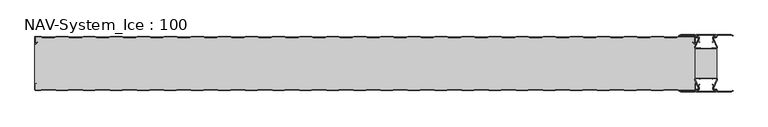
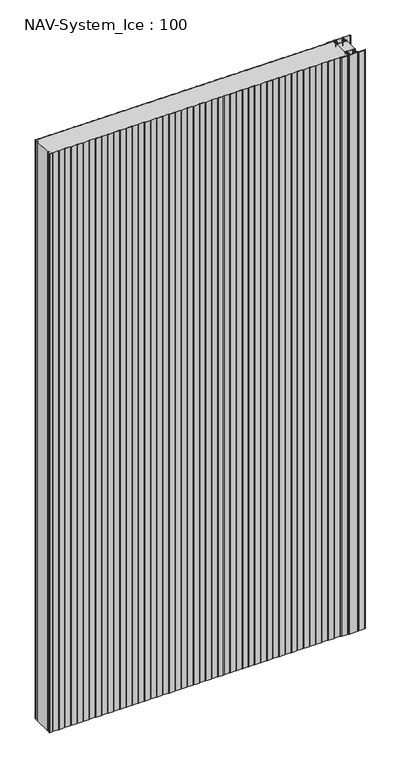
"""IFC4 building model written with IfcOpenShell, lengths in millimetres: plate geometry, NAV-System_Ice : 100."""

from ifc_helpers import new_model, si_unit, point, frame_2d, origin, origin_with_axes, place, context, project, spatial, polyline, circle_curve, trimmed, segment, composite_curve, outline, extrude, source, transform, mapped, element, save


def nav_system_ice_100_85630635(model_context):
    return source(origin(), model_context, "Body", "SweptSolid", [
        extrude(outline(polyline([(630.0, -76.9693935), (590.0, -76.9693935), (590.0, -23.0306065), (630.0, -23.0306065), (630.0, -76.9693935)])), origin_with_axes(), (0.0, 0.0, 1.0), 2500.0),
        extrude(outline(composite_curve([segment(trimmed(circle_curve(frame_2d((599.1138734, -91.8417863)), 3.357884), [point((596.1169606, -93.3563483))], [point((597.7243711, -88.7848813))], False, "CARTESIAN"), True, "CONTINUOUS"), segment(polyline([(597.7243711, -88.7848813), (598.0554135, -89.5131744)]), True, "CONTINUOUS"), segment(trimmed(circle_curve(frame_2d((599.1138734, -91.8417863)), 2.557884), [point((598.0554135, -89.5131744))], [point((596.8448746, -93.0226397))], True, "CARTESIAN"), True, "CONTINUOUS"), segment(polyline([(596.8448746, -93.0226397), (597.7376807, -95.2182139)]), True, "CONTINUOUS"), segment(trimmed(circle_curve(frame_2d((593.7962884, -96.3456266)), 4.0994674), [point((597.7376807, -95.2182139))], [point((593.7866434, -100.4450826))], False, "CARTESIAN"), True, "CONTINUOUS"), segment(polyline([(593.7866434, -100.4450826), (592.2194901, -100.4092333)]), True, "CONTINUOUS"), segment(trimmed(circle_curve(frame_2d((592.2592624, -101.3027113)), 0.8943628), [point((592.2194901, -100.4092333))], [point((592.2592624, -102.1970741))], True, "CARTESIAN"), True, "CONTINUOUS"), segment(polyline([(592.2592624, -102.1970741), (627.7407376, -102.1970741)]), True, "CONTINUOUS"), segment(trimmed(circle_curve(frame_2d((627.7407376, -101.3027113)), 0.8943628), [point((627.7407376, -102.1970741))], [point((627.7805099, -100.4092333))], True, "CARTESIAN"), True, "CONTINUOUS"), segment(polyline([(627.7805099, -100.4092333), (626.2133566, -100.4450826)]), True, "CONTINUOUS"), segment(trimmed(circle_curve(frame_2d((626.2037116, -96.3456266)), 4.0994674), [point((626.2133566, -100.4450826))], [point((622.2623193, -95.2182139))], False, "CARTESIAN"), True, "CONTINUOUS"), segment(polyline([(622.2623193, -95.2182139), (623.1551254, -93.0226397)]), True, "CONTINUOUS"), segment(trimmed(circle_curve(frame_2d((620.8861266, -91.8417863)), 2.557884), [point((623.1551254, -93.0226397))], [point((621.9445865, -89.5131744))], True, "CARTESIAN"), True, "CONTINUOUS"), segment(polyline([(621.9445865, -89.5131744), (622.2756289, -88.7848813)]), True, "CONTINUOUS"), segment(trimmed(circle_curve(frame_2d((620.8861266, -91.8417863)), 3.357884), [point((622.2756289, -88.7848813))], [point((623.8830394, -93.3563483))], False, "CARTESIAN"), True, "CONTINUOUS"), segment(polyline([(623.8830394, -93.3563483), (623.0205049, -95.4774793)]), True, "CONTINUOUS"), segment(trimmed(circle_curve(frame_2d((626.2037116, -96.3456266)), 3.2994674), [point((623.0205049, -95.4774793))], [point((626.2037116, -99.645094))], True, "CARTESIAN"), True, "CONTINUOUS"), segment(polyline([(626.2037116, -99.645094), (627.7848884, -99.6089239)]), True, "CONTINUOUS"), segment(trimmed(circle_curve(frame_2d((627.7407376, -101.3027113)), 1.6943628), [point((627.7848884, -99.6089239))], [point((627.7407423, -102.9970741))], False, "CARTESIAN"), True, "CONTINUOUS"), segment(polyline([(627.7407423, -102.9970741), (592.2592577, -102.9970741)]), True, "CONTINUOUS"), segment(trimmed(circle_curve(frame_2d((592.2592624, -101.3027113)), 1.6943628), [point((592.2592577, -102.9970741))], [point((592.2151116, -99.6089239))], False, "CARTESIAN"), True, "CONTINUOUS"), segment(polyline([(592.2151116, -99.6089239), (593.7962884, -99.645094)]), True, "CONTINUOUS"), segment(trimmed(circle_curve(frame_2d((593.7962884, -96.3456266)), 3.2994674), [point((593.7962884, -99.645094))], [point((596.9794951, -95.4774793))], True, "CARTESIAN"), True, "CONTINUOUS"), segment(polyline([(596.9794951, -95.4774793), (596.1169606, -93.3563483)]), True, "CONTINUOUS")], self_intersect=False)), origin_with_axes(), (0.0, 0.0, 1.0), 2500.0),
        extrude(outline(composite_curve([segment(polyline([(596.1169606, -6.6436517), (596.9794951, -4.5225207)]), True, "CONTINUOUS"), segment(trimmed(circle_curve(frame_2d((593.7962884, -3.6543734)), 3.2994674), [point((596.9794951, -4.5225207))], [point((593.7962884, -0.354906))], True, "CARTESIAN"), True, "CONTINUOUS"), segment(polyline([(593.7962884, -0.354906), (592.2151116, -0.3910761)]), True, "CONTINUOUS"), segment(trimmed(circle_curve(frame_2d((592.2592624, 1.3027113)), 1.6943628), [point((592.2151116, -0.3910761))], [point((592.2592577, 2.9970741))], False, "CARTESIAN"), True, "CONTINUOUS"), segment(polyline([(592.2592577, 2.9970741), (627.7407423, 2.9970741)]), True, "CONTINUOUS"), segment(trimmed(circle_curve(frame_2d((627.7407376, 1.3027113)), 1.6943628), [point((627.7407423, 2.9970741))], [point((627.7848884, -0.3910761))], False, "CARTESIAN"), True, "CONTINUOUS"), segment(polyline([(627.7848884, -0.3910761), (626.2037116, -0.354906)]), True, "CONTINUOUS"), segment(trimmed(circle_curve(frame_2d((626.2037116, -3.6543734)), 3.2994674), [point((626.2037116, -0.354906))], [point((623.0205049, -4.5225207))], True, "CARTESIAN"), True, "CONTINUOUS"), segment(polyline([(623.0205049, -4.5225207), (623.8830394, -6.6436517)]), True, "CONTINUOUS"), segment(trimmed(circle_curve(frame_2d((620.8861266, -8.1582137)), 3.357884), [point((623.8830394, -6.6436517))], [point((622.2756289, -11.2151187))], False, "CARTESIAN"), True, "CONTINUOUS"), segment(polyline([(622.2756289, -11.2151187), (621.9445865, -10.4868256)]), True, "CONTINUOUS"), segment(trimmed(circle_curve(frame_2d((620.8861266, -8.1582137)), 2.557884), [point((621.9445865, -10.4868256))], [point((623.1551254, -6.9773603))], True, "CARTESIAN"), True, "CONTINUOUS"), segment(polyline([(623.1551254, -6.9773603), (622.2623193, -4.7817861)]), True, "CONTINUOUS"), segment(trimmed(circle_curve(frame_2d((626.2037116, -3.6543734)), 4.0994674), [point((622.2623193, -4.7817861))], [point((626.2133566, 0.4450826))], False, "CARTESIAN"), True, "CONTINUOUS"), segment(polyline([(626.2133566, 0.4450826), (627.7805099, 0.4092333)]), True, "CONTINUOUS"), segment(trimmed(circle_curve(frame_2d((627.7407376, 1.3027113)), 0.8943628), [point((627.7805099, 0.4092333))], [point((627.7407376, 2.1970741))], True, "CARTESIAN"), True, "CONTINUOUS"), segment(polyline([(627.7407376, 2.1970741), (592.2592624, 2.1970741)]), True, "CONTINUOUS"), segment(trimmed(circle_curve(frame_2d((592.2592624, 1.3027113)), 0.8943628), [point((592.2592624, 2.1970741))], [point((592.2194901, 0.4092333))], True, "CARTESIAN"), True, "CONTINUOUS"), segment(polyline([(592.2194901, 0.4092333), (593.7866434, 0.4450826)]), True, "CONTINUOUS"), segment(trimmed(circle_curve(frame_2d((593.7962884, -3.6543734)), 4.0994674), [point((593.7866434, 0.4450826))], [point((597.7376807, -4.7817861))], False, "CARTESIAN"), True, "CONTINUOUS"), segment(polyline([(597.7376807, -4.7817861), (596.8448746, -6.9773603)]), True, "CONTINUOUS"), segment(trimmed(circle_curve(frame_2d((599.1138734, -8.1582137)), 2.557884), [point((596.8448746, -6.9773603))], [point((598.0554135, -10.4868256))], True, "CARTESIAN"), True, "CONTINUOUS"), segment(polyline([(598.0554135, -10.4868256), (597.7243711, -11.2151187)]), True, "CONTINUOUS"), segment(trimmed(circle_curve(frame_2d((599.1138734, -8.1582137)), 3.357884), [point((597.7243711, -11.2151187))], [point((596.1169606, -6.6436517))], False, "CARTESIAN"), True, "CONTINUOUS")], self_intersect=False)), origin_with_axes(), (0.0, 0.0, 1.0), 2500.0),
        extrude(outline(composite_curve([segment(trimmed(circle_curve(frame_2d((591.9446371, -79.7746821)), 1.80576), [point((591.9446371, -77.9689221))], [point((590.2170288, -80.300171))], True, "CARTESIAN"), True, "CONTINUOUS"), segment(polyline([(590.2170288, -80.300171), (596.4690067, -94.9459892)]), True, "CONTINUOUS"), segment(trimmed(circle_curve(frame_2d((593.7254406, -95.9868127)), 2.93436), [point((596.4690067, -94.9459892))], [point((593.7254406, -98.9211727))], False, "CARTESIAN"), True, "CONTINUOUS"), segment(polyline([(593.7254406, -98.9211727), (592.1347887, -98.9211727)]), True, "CONTINUOUS"), segment(trimmed(circle_curve(frame_2d((592.1347887, -100.5012127)), 1.58004), [point((592.1347887, -98.9211727))], [point((590.931072, -99.4776931))], True, "CARTESIAN"), True, "CONTINUOUS"), segment(polyline([(590.931072, -99.4776931), (589.0191946, -103.0112573), (562.9417977, -103.0112573), (560.0, -101.2043676), (560.523373, -100.3522639), (563.2243806, -102.0112573), (588.4232658, -102.0112573), (590.0952671, -98.9210361)]), True, "CONTINUOUS"), segment(trimmed(circle_curve(frame_2d((592.1347887, -100.5012127)), 2.58004), [point((590.0952671, -98.9210361))], [point((592.1347887, -97.9211727))], False, "CARTESIAN"), True, "CONTINUOUS"), segment(polyline([(592.1347887, -97.9211727), (593.7254406, -97.9211727)]), True, "CONTINUOUS"), segment(trimmed(circle_curve(frame_2d((593.7254406, -95.9868127)), 1.93436), [point((593.7254406, -97.9211727))], [point((595.5404425, -95.3178459))], True, "CARTESIAN"), True, "CONTINUOUS"), segment(polyline([(595.5404425, -95.3178459), (589.2784311, -80.6484726)]), True, "CONTINUOUS"), segment(trimmed(circle_curve(frame_2d((591.9446225, -79.7747413)), 2.8057055), [point((589.2784311, -80.6484726))], [point((591.9446225, -76.9690357))], False, "CARTESIAN"), True, "CONTINUOUS"), segment(polyline([(591.9446225, -76.9690357), (595.755568, -76.9690357)]), True, "CONTINUOUS"), segment(trimmed(circle_curve(frame_2d((595.7555679, -79.0975873)), 2.1285516), [point((595.755568, -76.9690357))], [point((597.1042828, -77.4508633))], False, "CARTESIAN"), True, "CONTINUOUS"), segment(trimmed(circle_curve(frame_2d((598.2552034, -76.0456377)), 1.8163913), [point((597.1042828, -77.4508633))], [point((599.4059468, -77.4510085))], True, "CARTESIAN"), True, "CONTINUOUS"), segment(trimmed(circle_curve(frame_2d((600.7543352, -79.0977575)), 2.128364), [point((599.4059468, -77.4510085))], [point((600.7543352, -76.9693935))], False, "CARTESIAN"), True, "CONTINUOUS"), segment(polyline([(600.7543352, -76.9693935), (619.2454674, -76.9693935)]), True, "CONTINUOUS"), segment(trimmed(circle_curve(frame_2d((619.2454674, -79.0977884)), 2.1283949), [point((619.2454674, -76.9693935))], [point((620.594293, -77.4513576))], False, "CARTESIAN"), True, "CONTINUOUS"), segment(trimmed(circle_curve(frame_2d((621.7456338, -76.0459847)), 1.8167715), [point((620.594293, -77.4513576))], [point((622.8963798, -77.4518446))], True, "CARTESIAN"), True, "CONTINUOUS"), segment(trimmed(circle_curve(frame_2d((624.244105, -79.0983528)), 2.1277576), [point((622.8963798, -77.4518446))], [point((624.244105, -76.9705952))], False, "CARTESIAN"), True, "CONTINUOUS"), segment(polyline([(624.244105, -76.9705952), (628.0535675, -76.9705952)]), True, "CONTINUOUS"), segment(trimmed(circle_curve(frame_2d((628.0535675, -79.7787791)), 2.8081839), [point((628.0535675, -76.9705952))], [point((630.7287795, -80.6326746))], False, "CARTESIAN"), True, "CONTINUOUS"), segment(polyline([(630.7287795, -80.6326746), (624.4595575, -95.3178459)]), True, "CONTINUOUS"), segment(trimmed(circle_curve(frame_2d((626.2745595, -95.9868127)), 1.93436), [point((624.4595575, -95.3178459))], [point((626.2745595, -97.9211727))], True, "CARTESIAN"), True, "CONTINUOUS"), segment(polyline([(626.2745595, -97.9211727), (627.8652113, -97.9211727)]), True, "CONTINUOUS"), segment(trimmed(circle_curve(frame_2d((627.8652113, -100.5012127)), 2.58004), [point((627.8652113, -97.9211727))], [point((629.9047329, -98.9210361))], False, "CARTESIAN"), True, "CONTINUOUS"), segment(polyline([(629.9047329, -98.9210361), (631.5767342, -102.0112573), (656.7756194, -102.0112573), (659.476627, -100.3522639), (660.0, -101.2043676), (657.0582024, -103.0112573), (630.9808054, -103.0112573), (629.068928, -99.4776931)]), True, "CONTINUOUS"), segment(trimmed(circle_curve(frame_2d((627.8652113, -100.5012127)), 1.58004), [point((629.068928, -99.4776931))], [point((627.8652113, -98.9211727))], True, "CARTESIAN"), True, "CONTINUOUS"), segment(polyline([(627.8652113, -98.9211727), (626.2745595, -98.9211727)]), True, "CONTINUOUS"), segment(trimmed(circle_curve(frame_2d((626.2745595, -95.9868127)), 2.93436), [point((626.2745595, -98.9211727))], [point((623.5309933, -94.9459892))], False, "CARTESIAN"), True, "CONTINUOUS"), segment(polyline([(623.5309933, -94.9459892), (629.7829713, -80.300171)]), True, "CONTINUOUS"), segment(trimmed(circle_curve(frame_2d((628.0553629, -79.7746822)), 1.80576), [point((629.7829713, -80.300171))], [point((628.0553629, -77.9689222))], True, "CARTESIAN"), True, "CONTINUOUS"), segment(polyline([(628.0553629, -77.9689222), (623.5184731, -77.9689222)]), True, "CONTINUOUS"), segment(trimmed(circle_curve(frame_2d((621.7449981, -76.0455076)), 2.6162449), [point((623.5184731, -77.9689222))], [point((619.7766029, -77.7689222))], False, "CARTESIAN"), True, "CONTINUOUS"), segment(polyline([(619.7766029, -77.7689222), (600.2233971, -77.7689222)]), True, "CONTINUOUS"), segment(trimmed(circle_curve(frame_2d((598.255002, -76.0455076)), 2.6162449), [point((600.2233971, -77.7689222))], [point((596.4815269, -77.9689221))], False, "CARTESIAN"), True, "CONTINUOUS"), segment(polyline([(596.4815269, -77.9689221), (591.9446371, -77.9689221)]), True, "CONTINUOUS")], self_intersect=False)), origin_with_axes(), (0.0, 0.0, 1.0), 2500.0),
        extrude(outline(composite_curve([segment(polyline([(591.9446371, -22.0310778), (596.4815269, -22.0310778)]), True, "CONTINUOUS"), segment(trimmed(circle_curve(frame_2d((598.2550019, -23.9544924)), 2.6162449), [point((596.4815269, -22.0310778))], [point((600.2233971, -22.2310778))], False, "CARTESIAN"), True, "CONTINUOUS"), segment(polyline([(600.2233971, -22.2310778), (619.7766029, -22.2310778)]), True, "CONTINUOUS"), segment(trimmed(circle_curve(frame_2d((621.7449981, -23.9544924)), 2.6162449), [point((619.7766029, -22.2310778))], [point((623.5184731, -22.0310778))], False, "CARTESIAN"), True, "CONTINUOUS"), segment(polyline([(623.5184731, -22.0310778), (628.0553629, -22.0310778)]), True, "CONTINUOUS"), segment(trimmed(circle_curve(frame_2d((628.0553629, -20.2253178)), 1.80576), [point((628.0553629, -22.0310778))], [point((629.7829712, -19.699829))], True, "CARTESIAN"), True, "CONTINUOUS"), segment(polyline([(629.7829712, -19.699829), (623.5309933, -5.0540108)]), True, "CONTINUOUS"), segment(trimmed(circle_curve(frame_2d((626.2745594, -4.0131873)), 2.93436), [point((623.5309933, -5.0540108))], [point((626.2745594, -1.0788273))], False, "CARTESIAN"), True, "CONTINUOUS"), segment(polyline([(626.2745594, -1.0788273), (627.8652113, -1.0788273)]), True, "CONTINUOUS"), segment(trimmed(circle_curve(frame_2d((627.8652113, 0.5012127)), 1.58004), [point((627.8652113, -1.0788273))], [point((629.068928, -0.5223069))], True, "CARTESIAN"), True, "CONTINUOUS"), segment(polyline([(629.068928, -0.5223069), (630.9808054, 3.0112573), (657.0582023, 3.0112573), (660.0, 1.2043676), (659.476627, 0.3522639), (656.7756194, 2.0112573), (631.5767342, 2.0112573), (629.9047329, -1.0789639)]), True, "CONTINUOUS"), segment(trimmed(circle_curve(frame_2d((627.8652113, 0.5012127)), 2.58004), [point((629.9047329, -1.0789639))], [point((627.8652113, -2.0788273))], False, "CARTESIAN"), True, "CONTINUOUS"), segment(polyline([(627.8652113, -2.0788273), (626.2745594, -2.0788273)]), True, "CONTINUOUS"), segment(trimmed(circle_curve(frame_2d((626.2745594, -4.0131873)), 1.93436), [point((626.2745594, -2.0788273))], [point((624.4595575, -4.6821541))], True, "CARTESIAN"), True, "CONTINUOUS"), segment(polyline([(624.4595575, -4.6821541), (630.7287795, -19.3673254)]), True, "CONTINUOUS"), segment(trimmed(circle_curve(frame_2d((628.0535675, -20.2212209)), 2.8081839), [point((630.7287795, -19.3673254))], [point((628.0535675, -23.0294048))], False, "CARTESIAN"), True, "CONTINUOUS"), segment(polyline([(628.0535675, -23.0294048), (624.244105, -23.0294048)]), True, "CONTINUOUS"), segment(trimmed(circle_curve(frame_2d((624.244105, -20.9016472)), 2.1277576), [point((624.244105, -23.0294048))], [point((622.8963798, -22.5481554))], False, "CARTESIAN"), True, "CONTINUOUS"), segment(trimmed(circle_curve(frame_2d((621.7456337, -23.9540153)), 1.8167716), [point((622.8963798, -22.5481554))], [point((620.5942929, -22.5486423))], True, "CARTESIAN"), True, "CONTINUOUS"), segment(trimmed(circle_curve(frame_2d((619.2454674, -20.9022116)), 2.1283949), [point((620.5942929, -22.5486423))], [point((619.2454674, -23.0306065))], False, "CARTESIAN"), True, "CONTINUOUS"), segment(polyline([(619.2454674, -23.0306065), (600.7543352, -23.0306065)]), True, "CONTINUOUS"), segment(trimmed(circle_curve(frame_2d((600.7543352, -20.9022425)), 2.128364), [point((600.7543352, -23.0306065))], [point((599.4059468, -22.5489915))], False, "CARTESIAN"), True, "CONTINUOUS"), segment(trimmed(circle_curve(frame_2d((598.2552034, -23.9543623)), 1.8163912), [point((599.4059468, -22.5489915))], [point((597.1042828, -22.5491367))], True, "CARTESIAN"), True, "CONTINUOUS"), segment(trimmed(circle_curve(frame_2d((595.7555679, -20.9024127)), 2.1285516), [point((597.1042828, -22.5491367))], [point((595.7555679, -23.0309643))], False, "CARTESIAN"), True, "CONTINUOUS"), segment(polyline([(595.7555679, -23.0309643), (591.9446225, -23.0309643)]), True, "CONTINUOUS"), segment(trimmed(circle_curve(frame_2d((591.9446225, -20.2252587)), 2.8057055), [point((591.9446225, -23.0309643))], [point((589.2784311, -19.3515274))], False, "CARTESIAN"), True, "CONTINUOUS"), segment(polyline([(589.2784311, -19.3515274), (595.5404425, -4.6821541)]), True, "CONTINUOUS"), segment(trimmed(circle_curve(frame_2d((593.7254406, -4.0131873)), 1.93436), [point((595.5404425, -4.6821541))], [point((593.7254406, -2.0788273))], True, "CARTESIAN"), True, "CONTINUOUS"), segment(polyline([(593.7254406, -2.0788273), (592.1347887, -2.0788273)]), True, "CONTINUOUS"), segment(trimmed(circle_curve(frame_2d((592.1347887, 0.5012127)), 2.58004), [point((592.1347887, -2.0788273))], [point((590.0952671, -1.0789639))], False, "CARTESIAN"), True, "CONTINUOUS"), segment(polyline([(590.0952671, -1.0789639), (588.4232658, 2.0112573), (563.2243806, 2.0112573), (560.523373, 0.3522639), (560.0, 1.2043676), (562.9417977, 3.0112573), (589.0191946, 3.0112573), (590.931072, -0.5223069)]), True, "CONTINUOUS"), segment(trimmed(circle_curve(frame_2d((592.1347887, 0.5012127)), 1.58004), [point((590.931072, -0.5223069))], [point((592.1347887, -1.0788273))], True, "CARTESIAN"), True, "CONTINUOUS"), segment(polyline([(592.1347887, -1.0788273), (593.7254406, -1.0788273)]), True, "CONTINUOUS"), segment(trimmed(circle_curve(frame_2d((593.7254406, -4.0131873)), 2.93436), [point((593.7254406, -1.0788273))], [point((596.4690067, -5.0540108))], False, "CARTESIAN"), True, "CONTINUOUS"), segment(polyline([(596.4690067, -5.0540108), (590.2170288, -19.699829)]), True, "CONTINUOUS"), segment(trimmed(circle_curve(frame_2d((591.9446371, -20.2253178)), 1.80576), [point((590.2170288, -19.699829))], [point((591.9446371, -22.0310778))], True, "CARTESIAN"), True, "CONTINUOUS")], self_intersect=False)), origin_with_axes(), (0.0, 0.0, 1.0), 2500.0),
        extrude(outline(composite_curve([segment(polyline([(559.1298221, -0.8), (556.1298221, -1.8), (533.8701779, -1.8), (530.8701779, -0.8), (509.1298221, -0.8), (506.1298221, -1.8), (483.8701779, -1.8), (480.8701779, -0.8), (459.1298221, -0.8), (456.1298221, -1.8), (433.8701779, -1.8), (430.8701779, -0.8), (409.1298221, -0.8), (406.1298221, -1.8), (383.8701779, -1.8), (380.8701779, -0.8), (359.1298221, -0.8), (356.1298221, -1.8), (333.8701779, -1.8), (330.8701779, -0.8), (309.1298221, -0.8), (306.1298221, -1.8), (283.8701779, -1.8), (280.8701779, -0.8), (259.1298221, -0.8), (256.1298221, -1.8), (233.8701779, -1.8), (230.8701779, -0.8), (209.1298221, -0.8), (206.1298221, -1.8), (183.8701779, -1.8), (180.8701779, -0.8), (159.1298221, -0.8), (156.1298221, -1.8), (133.8701779, -1.8), (130.8701779, -0.8), (109.1298221, -0.8), (106.1298221, -1.8), (83.8701779, -1.8), (80.8701779, -0.8), (59.1298221, -0.8), (56.1298221, -1.8), (33.8701779, -1.8), (30.8701779, -0.8), (9.1298221, -0.8), (6.1298221, -1.8), (-16.1298221, -1.8), (-19.1298221, -0.8), (-40.8701779, -0.8), (-43.8701779, -1.8), (-66.1298221, -1.8), (-69.1298221, -0.8), (-90.8701779, -0.8), (-93.8701779, -1.8), (-116.1298221, -1.8), (-119.1298221, -0.8), (-140.8701779, -0.8), (-143.8701779, -1.8), (-166.1298221, -1.8), (-169.1298221, -0.8), (-190.8701779, -0.8), (-193.8701779, -1.8), (-216.1298221, -1.8), (-219.1298221, -0.8), (-240.8701779, -0.8), (-243.8701779, -1.8), (-266.1298221, -1.8), (-269.1298221, -0.8), (-290.8701779, -0.8), (-293.8701779, -1.8), (-316.1298221, -1.8), (-319.1298221, -0.8), (-340.8701779, -0.8), (-343.8701779, -1.8), (-366.1298221, -1.8), (-369.1298221, -0.8), (-390.8701779, -0.8), (-393.8701779, -1.8), (-416.1298221, -1.8), (-419.1298221, -0.8), (-440.8701779, -0.8), (-443.8701779, -1.8), (-466.1298221, -1.8), (-469.1298221, -0.8), (-490.8701779, -0.8), (-493.8701779, -1.8), (-516.1298221, -1.8), (-519.1298221, -0.8), (-540.8701779, -0.8), (-543.8701779, -1.8), (-566.1298221, -1.8), (-569.1298221, -0.8), (-590.8701779, -0.8), (-593.8701779, -1.8), (-616.1298221, -1.8), (-619.1298221, -0.8), (-628.7, -0.8)]), True, "CONTINUOUS"), segment(trimmed(circle_curve(frame_2d((-628.7, -1.3)), 0.5), [point((-628.7, -0.8))], [point((-629.2, -1.3))], True, "CARTESIAN"), True, "CONTINUOUS"), segment(polyline([(-629.2, -1.3), (-629.2, -12.5857864)]), True, "CONTINUOUS"), segment(trimmed(circle_curve(frame_2d((-628.7, -12.5857864)), 0.5), [point((-629.2, -12.5857864))], [point((-628.3464466, -12.9393398))], True, "CARTESIAN"), True, "CONTINUOUS"), segment(polyline([(-628.3464466, -12.9393398), (-625.9205321, -10.5134253), (-625.3548467, -11.0791108), (-627.7807612, -13.5050253)]), True, "CONTINUOUS"), segment(trimmed(circle_curve(frame_2d((-628.7, -12.5857864)), 1.3), [point((-627.7807612, -13.5050253))], [point((-630.0, -12.5857864))], False, "CARTESIAN"), True, "CONTINUOUS"), segment(polyline([(-630.0, -12.5857864), (-630.0, -1.3)]), True, "CONTINUOUS"), segment(trimmed(circle_curve(frame_2d((-628.7, -1.3)), 1.3), [point((-630.0, -1.3))], [point((-628.7, 0.0))], False, "CARTESIAN"), True, "CONTINUOUS"), segment(polyline([(-628.7, 0.0), (-619.0, 0.0), (-616.0, -1.0), (-594.0, -1.0), (-591.0, 0.0), (-569.0, 0.0), (-566.0, -1.0), (-544.0, -1.0), (-541.0, 0.0), (-519.0, 0.0), (-516.0, -1.0), (-494.0, -1.0), (-491.0, 0.0), (-469.0, 0.0), (-466.0, -1.0), (-444.0, -1.0), (-441.0, 0.0), (-419.0, 0.0), (-416.0, -1.0), (-394.0, -1.0), (-391.0, 0.0), (-369.0, 0.0), (-366.0, -1.0), (-344.0, -1.0), (-341.0, 0.0), (-319.0, 0.0), (-316.0, -1.0), (-294.0, -1.0), (-291.0, 0.0), (-269.0, 0.0), (-266.0, -1.0), (-244.0, -1.0), (-241.0, 0.0), (-219.0, 0.0), (-216.0, -1.0), (-194.0, -1.0), (-191.0, 0.0), (-169.0, 0.0), (-166.0, -1.0), (-144.0, -1.0), (-141.0, 0.0), (-119.0, 0.0), (-116.0, -1.0), (-94.0, -1.0), (-91.0, 0.0), (-69.0, 0.0), (-66.0, -1.0), (-44.0, -1.0), (-41.0, 0.0), (-19.0, 0.0), (-16.0, -1.0), (6.0, -1.0), (9.0, 0.0), (31.0, 0.0), (34.0, -1.0), (56.0, -1.0), (59.0, 0.0), (81.0, 0.0), (84.0, -1.0), (106.0, -1.0), (109.0, 0.0), (131.0, 0.0), (134.0, -1.0), (156.0, -1.0), (159.0, 0.0), (181.0, 0.0), (184.0, -1.0), (206.0, -1.0), (209.0, 0.0), (231.0, 0.0), (234.0, -1.0), (256.0, -1.0), (259.0, 0.0), (281.0, 0.0), (284.0, -1.0), (306.0, -1.0), (309.0, 0.0), (331.0, 0.0), (334.0, -1.0), (356.0, -1.0), (359.0, 0.0), (381.0, 0.0), (384.0, -1.0), (406.0, -1.0), (409.0, 0.0), (431.0, 0.0), (434.0, -1.0), (456.0, -1.0), (459.0, 0.0), (481.0, 0.0), (484.0, -1.0), (506.0, -1.0), (509.0, 0.0), (531.0, 0.0), (534.0, -1.0), (556.0, -1.0), (559.0, 0.0), (588.7, 0.0)]), True, "CONTINUOUS"), segment(trimmed(circle_curve(frame_2d((588.7, -1.3)), 1.3), [point((588.7, 0.0))], [point((590.0, -1.3))], False, "CARTESIAN"), True, "CONTINUOUS"), segment(polyline([(590.0, -1.3), (590.0, -12.5857864)]), True, "CONTINUOUS"), segment(trimmed(circle_curve(frame_2d((588.7, -12.5857864)), 1.3), [point((590.0, -12.5857864))], [point((587.7807612, -13.5050253))], False, "CARTESIAN"), True, "CONTINUOUS"), segment(polyline([(587.7807612, -13.5050253), (585.3548467, -11.0791108), (585.9205321, -10.5134253), (588.3464466, -12.9393398)]), True, "CONTINUOUS"), segment(trimmed(circle_curve(frame_2d((588.7, -12.5857864)), 0.5), [point((588.3464466, -12.9393398))], [point((589.2, -12.5857864))], True, "CARTESIAN"), True, "CONTINUOUS"), segment(polyline([(589.2, -12.5857864), (589.2, -1.3)]), True, "CONTINUOUS"), segment(trimmed(circle_curve(frame_2d((588.7, -1.3)), 0.5), [point((589.2, -1.3))], [point((588.7, -0.8))], True, "CARTESIAN"), True, "CONTINUOUS"), segment(polyline([(588.7, -0.8), (559.1298221, -0.8)]), True, "CONTINUOUS")], self_intersect=False)), origin_with_axes(), (0.0, 0.0, 1.0), 2500.0),
        extrude(outline(composite_curve([segment(polyline([(559.1298221, -0.8), (588.7, -0.8)]), True, "CONTINUOUS"), segment(trimmed(circle_curve(frame_2d((588.7, -1.3)), 0.5), [point((588.7, -0.8))], [point((589.2, -1.3))], False, "CARTESIAN"), True, "CONTINUOUS"), segment(polyline([(589.2, -1.3), (589.2, -12.5857864)]), True, "CONTINUOUS"), segment(trimmed(circle_curve(frame_2d((588.7, -12.5857864)), 0.5), [point((589.2, -12.5857864))], [point((588.3464466, -12.9393398))], False, "CARTESIAN"), True, "CONTINUOUS"), segment(polyline([(588.3464466, -12.9393398), (585.9205321, -10.5134253), (585.3548467, -11.0791108), (587.7807612, -13.5050253)]), True, "CONTINUOUS"), segment(trimmed(circle_curve(frame_2d((588.7, -12.5857864)), 1.3), [point((587.7807612, -13.5050253))], [point((588.7, -13.8857864))], True, "CARTESIAN"), True, "CONTINUOUS"), segment(polyline([(588.7, -13.8857864), (590.0, -13.8857864), (590.0, -86.1142136), (588.7, -86.1142136)]), True, "CONTINUOUS"), segment(trimmed(circle_curve(frame_2d((588.7, -87.4142136)), 1.3), [point((588.7, -86.1142136))], [point((587.7807612, -86.4949747))], True, "CARTESIAN"), True, "CONTINUOUS"), segment(polyline([(587.7807612, -86.4949747), (585.3548467, -88.9208892), (585.9205321, -89.4865747), (588.3464466, -87.0606602)]), True, "CONTINUOUS"), segment(trimmed(circle_curve(frame_2d((588.7, -87.4142136)), 0.5), [point((588.3464466, -87.0606602))], [point((589.2, -87.4142136))], False, "CARTESIAN"), True, "CONTINUOUS"), segment(polyline([(589.2, -87.4142136), (589.2, -98.7)]), True, "CONTINUOUS"), segment(trimmed(circle_curve(frame_2d((588.7, -98.7)), 0.5), [point((589.2, -98.7))], [point((588.7, -99.2))], False, "CARTESIAN"), True, "CONTINUOUS"), segment(polyline([(588.7, -99.2), (559.1298221, -99.2), (556.1298221, -98.2), (533.8701779, -98.2), (530.8701779, -99.2), (509.1298221, -99.2), (506.1298221, -98.2), (483.8701779, -98.2), (480.8701779, -99.2), (459.1298221, -99.2), (456.1298221, -98.2), (433.8701779, -98.2), (430.8701779, -99.2), (409.1298221, -99.2), (406.1298221, -98.2), (383.8701779, -98.2), (380.8701779, -99.2), (359.1298221, -99.2), (356.1298221, -98.2), (333.8701779, -98.2), (330.8701779, -99.2), (309.1298221, -99.2), (306.1298221, -98.2), (283.8701779, -98.2), (280.8701779, -99.2), (259.1298221, -99.2), (256.1298221, -98.2), (233.8701779, -98.2), (230.8701779, -99.2), (209.1298221, -99.2), (206.1298221, -98.2), (183.8701779, -98.2), (180.8701779, -99.2), (159.1298221, -99.2), (156.1298221, -98.2), (133.8701779, -98.2), (130.8701779, -99.2), (109.1298221, -99.2), (106.1298221, -98.2), (83.8701779, -98.2), (80.8701779, -99.2), (59.1298221, -99.2), (56.1298221, -98.2), (33.8701779, -98.2), (30.8701779, -99.2), (9.1298221, -99.2), (6.1298221, -98.2), (-16.1298221, -98.2), (-19.1298221, -99.2), (-40.8701779, -99.2), (-43.8701779, -98.2), (-66.1298221, -98.2), (-69.1298221, -99.2), (-90.8701779, -99.2), (-93.8701779, -98.2), (-116.1298221, -98.2), (-119.1298221, -99.2), (-140.8701779, -99.2), (-143.8701779, -98.2), (-166.1298221, -98.2), (-169.1298221, -99.2), (-190.8701779, -99.2), (-193.8701779, -98.2), (-216.1298221, -98.2), (-219.1298221, -99.2), (-240.8701779, -99.2), (-243.8701779, -98.2), (-266.1298221, -98.2), (-269.1298221, -99.2), (-290.8701779, -99.2), (-293.8701779, -98.2), (-316.1298221, -98.2), (-319.1298221, -99.2), (-340.8701779, -99.2), (-343.8701779, -98.2), (-366.1298221, -98.2), (-369.1298221, -99.2), (-390.8701779, -99.2), (-393.8701779, -98.2), (-416.1298221, -98.2), (-419.1298221, -99.2), (-440.8701779, -99.2), (-443.8701779, -98.2), (-466.1298221, -98.2), (-469.1298221, -99.2), (-490.8701779, -99.2), (-493.8701779, -98.2), (-516.1298221, -98.2), (-519.1298221, -99.2), (-540.8701779, -99.2), (-543.8701779, -98.2), (-566.1298221, -98.2), (-569.1298221, -99.2), (-590.8701779, -99.2), (-593.8701779, -98.2), (-616.1298221, -98.2), (-619.1298221, -99.2), (-628.7, -99.2)]), True, "CONTINUOUS"), segment(trimmed(circle_curve(frame_2d((-628.7, -98.7)), 0.5), [point((-628.7, -99.2))], [point((-629.2, -98.7))], False, "CARTESIAN"), True, "CONTINUOUS"), segment(polyline([(-629.2, -98.7), (-629.2, -87.4142136)]), True, "CONTINUOUS"), segment(trimmed(circle_curve(frame_2d((-628.7, -87.4142136)), 0.5), [point((-629.2, -87.4142136))], [point((-628.3464466, -87.0606602))], False, "CARTESIAN"), True, "CONTINUOUS"), segment(polyline([(-628.3464466, -87.0606602), (-625.9205321, -89.4865747), (-625.3548467, -88.9208892), (-627.7807612, -86.4949747)]), True, "CONTINUOUS"), segment(trimmed(circle_curve(frame_2d((-628.7, -87.4142136)), 1.3), [point((-627.7807612, -86.4949747))], [point((-628.7, -86.1142136))], True, "CARTESIAN"), True, "CONTINUOUS"), segment(polyline([(-628.7, -86.1142136), (-630.0, -86.1142136), (-630.0, -13.8857864), (-628.7, -13.8857864)]), True, "CONTINUOUS"), segment(trimmed(circle_curve(frame_2d((-628.7, -12.5857864)), 1.3), [point((-628.7, -13.8857864))], [point((-627.7807612, -13.5050253))], True, "CARTESIAN"), True, "CONTINUOUS"), segment(polyline([(-627.7807612, -13.5050253), (-625.3548467, -11.0791108), (-625.9205321, -10.5134253), (-628.3464466, -12.9393398)]), True, "CONTINUOUS"), segment(trimmed(circle_curve(frame_2d((-628.7, -12.5857864)), 0.5), [point((-628.3464466, -12.9393398))], [point((-629.2, -12.5857864))], False, "CARTESIAN"), True, "CONTINUOUS"), segment(polyline([(-629.2, -12.5857864), (-629.2, -1.3)]), True, "CONTINUOUS"), segment(trimmed(circle_curve(frame_2d((-628.7, -1.3)), 0.5), [point((-629.2, -1.3))], [point((-628.7, -0.8))], False, "CARTESIAN"), True, "CONTINUOUS"), segment(polyline([(-628.7, -0.8), (-619.1298221, -0.8), (-616.1298221, -1.8), (-593.8701779, -1.8), (-590.8701779, -0.8), (-569.1298221, -0.8), (-566.1298221, -1.8), (-543.8701779, -1.8), (-540.8701779, -0.8), (-519.1298221, -0.8), (-516.1298221, -1.8), (-493.8701779, -1.8), (-490.8701779, -0.8), (-469.1298221, -0.8), (-466.1298221, -1.8), (-443.8701779, -1.8), (-440.8701779, -0.8), (-419.1298221, -0.8), (-416.1298221, -1.8), (-393.8701779, -1.8), (-390.8701779, -0.8), (-369.1298221, -0.8), (-366.1298221, -1.8), (-343.8701779, -1.8), (-340.8701779, -0.8), (-319.1298221, -0.8), (-316.1298221, -1.8), (-293.8701779, -1.8), (-290.8701779, -0.8), (-269.1298221, -0.8), (-266.1298221, -1.8), (-243.8701779, -1.8), (-240.8701779, -0.8), (-219.1298221, -0.8), (-216.1298221, -1.8), (-193.8701779, -1.8), (-190.8701779, -0.8), (-169.1298221, -0.8), (-166.1298221, -1.8), (-143.8701779, -1.8), (-140.8701779, -0.8), (-119.1298221, -0.8), (-116.1298221, -1.8), (-93.8701779, -1.8), (-90.8701779, -0.8), (-69.1298221, -0.8), (-66.1298221, -1.8), (-43.8701779, -1.8), (-40.8701779, -0.8), (-19.1298221, -0.8), (-16.1298221, -1.8), (6.1298221, -1.8), (9.1298221, -0.8), (30.8701779, -0.8), (33.8701779, -1.8), (56.1298221, -1.8), (59.1298221, -0.8), (80.8701779, -0.8), (83.8701779, -1.8), (106.1298221, -1.8), (109.1298221, -0.8), (130.8701779, -0.8), (133.8701779, -1.8), (156.1298221, -1.8), (159.1298221, -0.8), (180.8701779, -0.8), (183.8701779, -1.8), (206.1298221, -1.8), (209.1298221, -0.8), (230.8701779, -0.8), (233.8701779, -1.8), (256.1298221, -1.8), (259.1298221, -0.8), (280.8701779, -0.8), (283.8701779, -1.8), (306.1298221, -1.8), (309.1298221, -0.8), (330.8701779, -0.8), (333.8701779, -1.8), (356.1298221, -1.8), (359.1298221, -0.8), (380.8701779, -0.8), (383.8701779, -1.8), (406.1298221, -1.8), (409.1298221, -0.8), (430.8701779, -0.8), (433.8701779, -1.8), (456.1298221, -1.8), (459.1298221, -0.8), (480.8701779, -0.8), (483.8701779, -1.8), (506.1298221, -1.8), (509.1298221, -0.8), (530.8701779, -0.8), (533.8701779, -1.8), (556.1298221, -1.8), (559.1298221, -0.8)]), True, "CONTINUOUS")], self_intersect=False)), origin_with_axes(), (0.0, 0.0, 1.0), 2500.0),
        extrude(outline(composite_curve([segment(polyline([(559.1298221, -99.2), (588.7, -99.2)]), True, "CONTINUOUS"), segment(trimmed(circle_curve(frame_2d((588.7, -98.7)), 0.5), [point((588.7, -99.2))], [point((589.2, -98.7))], True, "CARTESIAN"), True, "CONTINUOUS"), segment(polyline([(589.2, -98.7), (589.2, -87.4142136)]), True, "CONTINUOUS"), segment(trimmed(circle_curve(frame_2d((588.7, -87.4142136)), 0.5), [point((589.2, -87.4142136))], [point((588.3464466, -87.0606602))], True, "CARTESIAN"), True, "CONTINUOUS"), segment(polyline([(588.3464466, -87.0606602), (585.9205321, -89.4865747), (585.3548467, -88.9208892), (587.7807612, -86.4949747)]), True, "CONTINUOUS"), segment(trimmed(circle_curve(frame_2d((588.7, -87.4142136)), 1.3), [point((587.7807612, -86.4949747))], [point((590.0, -87.4142136))], False, "CARTESIAN"), True, "CONTINUOUS"), segment(polyline([(590.0, -87.4142136), (590.0, -98.7)]), True, "CONTINUOUS"), segment(trimmed(circle_curve(frame_2d((588.7, -98.7)), 1.3), [point((590.0, -98.7))], [point((588.7, -100.0))], False, "CARTESIAN"), True, "CONTINUOUS"), segment(polyline([(588.7, -100.0), (559.0, -100.0), (556.0, -99.0), (534.0, -99.0), (531.0, -100.0), (509.0, -100.0), (506.0, -99.0), (484.0, -99.0), (481.0, -100.0), (459.0, -100.0), (456.0, -99.0), (434.0, -99.0), (431.0, -100.0), (409.0, -100.0), (406.0, -99.0), (384.0, -99.0), (381.0, -100.0), (359.0, -100.0), (356.0, -99.0), (334.0, -99.0), (331.0, -100.0), (309.0, -100.0), (306.0, -99.0), (284.0, -99.0), (281.0, -100.0), (259.0, -100.0), (256.0, -99.0), (234.0, -99.0), (231.0, -100.0), (209.0, -100.0), (206.0, -99.0), (184.0, -99.0), (181.0, -100.0), (159.0, -100.0), (156.0, -99.0), (134.0, -99.0), (131.0, -100.0), (109.0, -100.0), (106.0, -99.0), (84.0, -99.0), (81.0, -100.0), (59.0, -100.0), (56.0, -99.0), (34.0, -99.0), (31.0, -100.0), (9.0, -100.0), (6.0, -99.0), (-16.0, -99.0), (-19.0, -100.0), (-41.0, -100.0), (-44.0, -99.0), (-66.0, -99.0), (-69.0, -100.0), (-91.0, -100.0), (-94.0, -99.0), (-116.0, -99.0), (-119.0, -100.0), (-141.0, -100.0), (-144.0, -99.0), (-166.0, -99.0), (-169.0, -100.0), (-191.0, -100.0), (-194.0, -99.0), (-216.0, -99.0), (-219.0, -100.0), (-241.0, -100.0), (-244.0, -99.0), (-266.0, -99.0), (-269.0, -100.0), (-291.0, -100.0), (-294.0, -99.0), (-316.0, -99.0), (-319.0, -100.0), (-341.0, -100.0), (-344.0, -99.0), (-366.0, -99.0), (-369.0, -100.0), (-391.0, -100.0), (-394.0, -99.0), (-416.0, -99.0), (-419.0, -100.0), (-441.0, -100.0), (-444.0, -99.0), (-466.0, -99.0), (-469.0, -100.0), (-491.0, -100.0), (-494.0, -99.0), (-516.0, -99.0), (-519.0, -100.0), (-541.0, -100.0), (-544.0, -99.0), (-566.0, -99.0), (-569.0, -100.0), (-591.0, -100.0), (-594.0, -99.0), (-616.0, -99.0), (-619.0, -100.0), (-628.7, -100.0)]), True, "CONTINUOUS"), segment(trimmed(circle_curve(frame_2d((-628.7, -98.7)), 1.3), [point((-628.7, -100.0))], [point((-630.0, -98.7))], False, "CARTESIAN"), True, "CONTINUOUS"), segment(polyline([(-630.0, -98.7), (-630.0, -87.4142136)]), True, "CONTINUOUS"), segment(trimmed(circle_curve(frame_2d((-628.7, -87.4142136)), 1.3), [point((-630.0, -87.4142136))], [point((-627.7807612, -86.4949747))], False, "CARTESIAN"), True, "CONTINUOUS"), segment(polyline([(-627.7807612, -86.4949747), (-625.3548467, -88.9208892), (-625.9205321, -89.4865747), (-628.3464466, -87.0606602)]), True, "CONTINUOUS"), segment(trimmed(circle_curve(frame_2d((-628.7, -87.4142136)), 0.5), [point((-628.3464466, -87.0606602))], [point((-629.2, -87.4142136))], True, "CARTESIAN"), True, "CONTINUOUS"), segment(polyline([(-629.2, -87.4142136), (-629.2, -98.7)]), True, "CONTINUOUS"), segment(trimmed(circle_curve(frame_2d((-628.7, -98.7)), 0.5), [point((-629.2, -98.7))], [point((-628.7, -99.2))], True, "CARTESIAN"), True, "CONTINUOUS"), segment(polyline([(-628.7, -99.2), (-619.1298221, -99.2), (-616.1298221, -98.2), (-593.8701779, -98.2), (-590.8701779, -99.2), (-569.1298221, -99.2), (-566.1298221, -98.2), (-543.8701779, -98.2), (-540.8701779, -99.2), (-519.1298221, -99.2), (-516.1298221, -98.2), (-493.8701779, -98.2), (-490.8701779, -99.2), (-469.1298221, -99.2), (-466.1298221, -98.2), (-443.8701779, -98.2), (-440.8701779, -99.2), (-419.1298221, -99.2), (-416.1298221, -98.2), (-393.8701779, -98.2), (-390.8701779, -99.2), (-369.1298221, -99.2), (-366.1298221, -98.2), (-343.8701779, -98.2), (-340.8701779, -99.2), (-319.1298221, -99.2), (-316.1298221, -98.2), (-293.8701779, -98.2), (-290.8701779, -99.2), (-269.1298221, -99.2), (-266.1298221, -98.2), (-243.8701779, -98.2), (-240.8701779, -99.2), (-219.1298221, -99.2), (-216.1298221, -98.2), (-193.8701779, -98.2), (-190.8701779, -99.2), (-169.1298221, -99.2), (-166.1298221, -98.2), (-143.8701779, -98.2), (-140.8701779, -99.2), (-119.1298221, -99.2), (-116.1298221, -98.2), (-93.8701779, -98.2), (-90.8701779, -99.2), (-69.1298221, -99.2), (-66.1298221, -98.2), (-43.8701779, -98.2), (-40.8701779, -99.2), (-19.1298221, -99.2), (-16.1298221, -98.2), (6.1298221, -98.2), (9.1298221, -99.2), (30.8701779, -99.2), (33.8701779, -98.2), (56.1298221, -98.2), (59.1298221, -99.2), (80.8701779, -99.2), (83.8701779, -98.2), (106.1298221, -98.2), (109.1298221, -99.2), (130.8701779, -99.2), (133.8701779, -98.2), (156.1298221, -98.2), (159.1298221, -99.2), (180.8701779, -99.2), (183.8701779, -98.2), (206.1298221, -98.2), (209.1298221, -99.2), (230.8701779, -99.2), (233.8701779, -98.2), (256.1298221, -98.2), (259.1298221, -99.2), (280.8701779, -99.2), (283.8701779, -98.2), (306.1298221, -98.2), (309.1298221, -99.2), (330.8701779, -99.2), (333.8701779, -98.2), (356.1298221, -98.2), (359.1298221, -99.2), (380.8701779, -99.2), (383.8701779, -98.2), (406.1298221, -98.2), (409.1298221, -99.2), (430.8701779, -99.2), (433.8701779, -98.2), (456.1298221, -98.2), (459.1298221, -99.2), (480.8701779, -99.2), (483.8701779, -98.2), (506.1298221, -98.2), (509.1298221, -99.2), (530.8701779, -99.2), (533.8701779, -98.2), (556.1298221, -98.2), (559.1298221, -99.2)]), True, "CONTINUOUS")], self_intersect=False)), origin_with_axes(), (0.0, 0.0, 1.0), 2500.0),
    ])


if __name__ == "__main__":
    model = new_model("IFC4")
    model_context = context("Model", 3, world=origin())
    ifc_project = project(units=[si_unit("LENGTHUNIT", "METRE", prefix="MILLI")], contexts=[model_context])
    site = spatial("IfcSite", under=ifc_project)
    building = spatial("IfcBuilding", under=site)
    placement = place(None, origin())
    nav_system_ice_100_shape = nav_system_ice_100_85630635(model_context)
    element("IfcPlate", 1, ObjectType="NAV-System_Ice : 100", at=placement, inside=building, context=model_context, shape_type="MappedRepresentation", body=[
        mapped(nav_system_ice_100_shape, transform((0.0, 0.0, 0.0), x_axis=(1.0, 0.0, 0.0), y_axis=(0.0, 1.0, 0.0), z_axis=(0.0, 0.0, 1.0))),
    ])
    save(model, "model.ifc")
